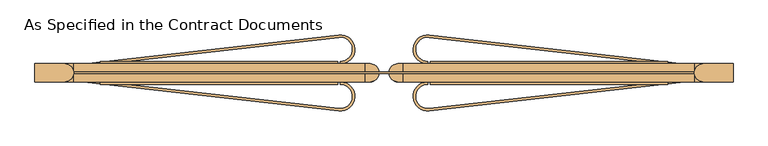
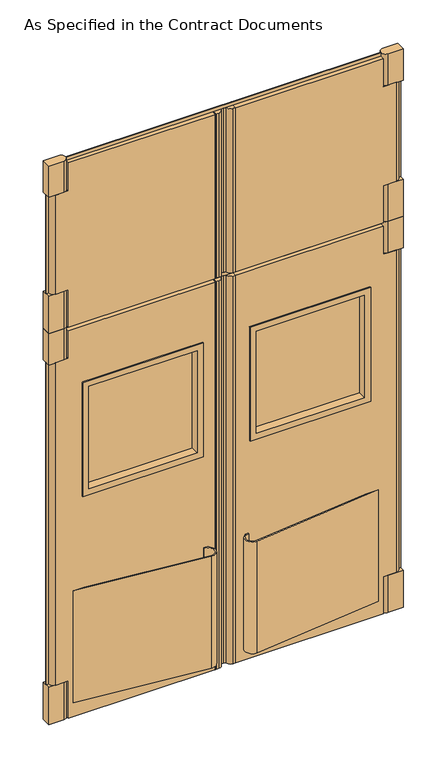
"""IFC4 building model written with IfcOpenShell, lengths in millimetres: door geometry, As Specified in the Contract Documents."""

from ifc_helpers import new_model, si_unit, point, frame, frame_2d, origin, origin_with_axes, place, context, project, spatial, polyline, circle_curve, trimmed, segment, composite_curve, outline, extrude, faceted_brep, source, transform, mapped, element, save
from ifc_brep_helpers import plane_surface, cylinder_surface, advanced_brep


def as_specified_in_the_contract_documents_781a4f40(model_context):
    return source(origin(), model_context, "Body", "SolidModel", [
        advanced_brep(
        [(-790.575, 6.35, 3028.95), (-28.575, 6.35, 3028.95), (-28.575, 6.35, 2133.6), (-790.575, 6.35, 2133.6), (-790.575, 6.35, 2336.8), (-855.6625, 6.35, 2336.8), (-855.6625, 6.35, 2876.55), (-790.575, 6.35, 2876.55), (-790.575, -41.275, 3028.95), (-790.575, -41.275, 2876.55), (-855.6625, -41.275, 2876.55), (-855.6625, -41.275, 2336.8), (-790.575, -41.275, 2336.8), (-790.575, -41.275, 2133.6), (-28.575, -41.275, 2133.6), (-28.575, -41.275, 3028.95)],
        [
            (0, 1),
            (1, 2),
            (2, 3),
            (3, 4),
            (4, 5),
            (5, 6),
            (6, 7),
            (7, 0),
            (8, 9),
            (9, 10),
            (10, 11),
            (11, 12),
            (12, 13),
            (13, 14),
            (14, 15),
            (15, 8),
            (7, 9),
            (8, 0),
            (6, 10, circle_curve(frame((-855.6625, -17.4625, 2876.55), z_axis=(0.0, 0.0, 1.0), x_axis=(-1.0, 0.0, 0.0)), 23.8125)),
            (4, 12),
            (11, 5, circle_curve(frame((-855.6625, -17.4625, 2336.8), z_axis=(0.0, 0.0, -1.0), x_axis=(-1.0, 0.0, 0.0)), 23.8125)),
            (3, 13),
            (2, 14),
            (1, 15),
        ],
        [
            plane_surface(frame((-790.575, 6.35, 3028.95), z_axis=(0.0, 1.0, 0.0), x_axis=(0.0, 0.0, -1.0))),
            plane_surface(frame((-790.575, -41.275, 3028.95), z_axis=(0.0, -1.0, 0.0), x_axis=(0.0, 0.0, 1.0))),
            plane_surface(frame((-790.575, 6.35, 3028.95), z_axis=(-1.0, 0.0, 0.0), x_axis=(0.0, -1.0, 0.0))),
            plane_surface(frame((-790.575, 6.35, 2876.55), z_axis=(0.0, 0.0, 1.0), x_axis=(0.0, -1.0, 0.0))),
            plane_surface(frame((-842.9625, 6.35, 2336.8), z_axis=(0.0, 0.0, -1.0), x_axis=(0.0, -1.0, 0.0))),
            plane_surface(frame((-790.575, 6.35, 2336.8), z_axis=(-1.0, 0.0, 0.0), x_axis=(0.0, -1.0, 0.0))),
            plane_surface(frame((-790.575, 6.35, 2133.6), z_axis=(0.0, 0.0, -1.0), x_axis=(0.0, -1.0, 0.0))),
            plane_surface(frame((-28.575, 6.35, 2133.6), z_axis=(1.0, 0.0, 0.0), x_axis=(0.0, -1.0, 0.0))),
            plane_surface(frame((-28.575, 6.35, 3028.95), z_axis=(0.0, 0.0, 1.0), x_axis=(0.0, -1.0, 0.0))),
            cylinder_surface(frame((-855.6625, -17.4625, 2336.8), z_axis=(0.0, 0.0, 1.0), x_axis=(-1.0, 0.0, 0.0)), 23.8125),
        ],
        [
            (0, [[1, 2, 3, 4, 5, 6, 7, 8]]),
            (1, [[9, 10, 11, 12, 13, 14, 15, 16]]),
            (2, [[17, -9, 18, -8]]),
            (3, [[19, -10, -17, -7]]),
            (4, [[20, -12, 21, -5]]),
            (5, [[22, -13, -20, -4]]),
            (6, [[23, -14, -22, -3]]),
            (7, [[24, -15, -23, -2]]),
            (8, [[-18, -16, -24, -1]]),
            (9, [[-6, -21, -11, -19]]),
        ],
    ),
        extrude(outline(composite_curve([segment(trimmed(circle_curve(frame_2d((-14.2875, -17.4625)), 23.8125), [point((-14.2875, 6.35))], [point((9.4720244, -15.875))], False, "CARTESIAN"), True, "CONTINUOUS"), segment(polyline([(9.4720244, -15.875), (22.225, -15.875), (22.225, -19.05), (9.4720244, -19.05)]), True, "CONTINUOUS"), segment(trimmed(circle_curve(frame_2d((-14.2875, -17.4625)), 23.8125), [point((9.4720244, -19.05))], [point((-14.2875, -41.275))], False, "CARTESIAN"), True, "CONTINUOUS"), segment(polyline([(-14.2875, -41.275), (-33.3375, -41.275), (-33.3375, 6.35), (-14.2875, 6.35)]), True, "CONTINUOUS")], self_intersect=False)), frame((0.0, 0.0, 2133.6), z_axis=(0.0, 0.0, 1.0), x_axis=(1.0, 0.0, 0.0)), (0.0, 0.0, 1.0), 895.35),
        extrude(outline(composite_curve([segment(polyline([(-814.3875, -41.275), (-892.175, -41.275), (-892.175, 6.35), (-814.3875, 6.35)]), True, "CONTINUOUS"), segment(trimmed(circle_curve(frame_2d((-814.3875, -17.4625)), 23.8125), [point((-814.3875, 6.35))], [point((-814.3875, -41.275))], False, "CARTESIAN"), True, "CONTINUOUS")], self_intersect=False)), frame((0.0, 0.0, 2876.55), z_axis=(0.0, 0.0, 1.0), x_axis=(1.0, 0.0, 0.0)), (0.0, 0.0, 1.0), 171.45),
        extrude(outline(composite_curve([segment(polyline([(-814.3875, -41.275), (-892.175, -41.275), (-892.175, 6.35), (-814.3875, 6.35)]), True, "CONTINUOUS"), segment(trimmed(circle_curve(frame_2d((-814.3875, -17.4625)), 23.8125), [point((-814.3875, 6.35))], [point((-814.3875, -41.275))], False, "CARTESIAN"), True, "CONTINUOUS")], self_intersect=False)), frame((0.0, 0.0, 2133.6), z_axis=(0.0, 0.0, 1.0), x_axis=(1.0, 0.0, 0.0)), (0.0, 0.0, 1.0), 203.2),
        extrude(outline(polyline([(-879.475, -15.875), (-879.475, -19.05), (-892.175, -19.05), (-892.175, -15.875), (-879.475, -15.875)])), frame((0.0, 0.0, 2336.8), z_axis=(0.0, 0.0, 1.0), x_axis=(1.0, 0.0, 0.0)), (0.0, 0.0, 1.0), 539.75),
        advanced_brep(
        [(835.025, 6.35, 3028.95), (835.025, 6.35, 2876.55), (900.1125, 6.35, 2876.55), (900.1125, 6.35, 2336.8), (835.025, 6.35, 2336.8), (835.025, 6.35, 2133.6), (73.025, 6.35, 2133.6), (73.025, 6.35, 3028.95), (835.025, -41.275, 3028.95), (73.025, -41.275, 3028.95), (73.025, -41.275, 2133.6), (835.025, -41.275, 2133.6), (835.025, -41.275, 2336.8), (900.1125, -41.275, 2336.8), (900.1125, -41.275, 2876.55), (835.025, -41.275, 2876.55)],
        [
            (0, 1),
            (1, 2),
            (2, 3),
            (3, 4),
            (4, 5),
            (5, 6),
            (6, 7),
            (7, 0),
            (8, 9),
            (9, 10),
            (10, 11),
            (11, 12),
            (12, 13),
            (13, 14),
            (14, 15),
            (15, 8),
            (0, 8),
            (15, 1),
            (14, 2, circle_curve(frame((900.1125, -17.4625, 2876.55), z_axis=(0.0, 0.0, 1.0), x_axis=(1.0, 0.0, 0.0)), 23.8125)),
            (3, 13, circle_curve(frame((900.1125, -17.4625, 2336.8), z_axis=(0.0, 0.0, -1.0), x_axis=(1.0, 0.0, 0.0)), 23.8125)),
            (12, 4),
            (11, 5),
            (10, 6),
            (9, 7),
        ],
        [
            plane_surface(frame((835.025, 6.35, 3028.95), z_axis=(0.0, 1.0, 0.0), x_axis=(0.0, 0.0, -1.0))),
            plane_surface(frame((835.025, -41.275, 3028.95), z_axis=(0.0, -1.0, 0.0), x_axis=(0.0, 0.0, 1.0))),
            plane_surface(frame((835.025, 6.35, 3028.95), z_axis=(1.0, 0.0, 0.0), x_axis=(0.0, -1.0, 0.0))),
            plane_surface(frame((835.025, 6.35, 2876.55), z_axis=(0.0, 0.0, 1.0), x_axis=(0.0, -1.0, 0.0))),
            plane_surface(frame((887.4125, 6.35, 2336.8), z_axis=(0.0, 0.0, -1.0), x_axis=(0.0, -1.0, 0.0))),
            plane_surface(frame((835.025, 6.35, 2336.8), z_axis=(1.0, 0.0, 0.0), x_axis=(0.0, -1.0, 0.0))),
            plane_surface(frame((835.025, 6.35, 2133.6), z_axis=(0.0, 0.0, -1.0), x_axis=(0.0, -1.0, 0.0))),
            plane_surface(frame((73.025, 6.35, 2133.6), z_axis=(-1.0, 0.0, 0.0), x_axis=(0.0, -1.0, 0.0))),
            plane_surface(frame((73.025, 6.35, 3028.95), z_axis=(0.0, 0.0, 1.0), x_axis=(0.0, -1.0, 0.0))),
            cylinder_surface(frame((900.1125, -17.4625, 2336.8), z_axis=(0.0, 0.0, 1.0), x_axis=(1.0, 0.0, 0.0)), 23.8125),
        ],
        [
            (0, [[1, 2, 3, 4, 5, 6, 7, 8]]),
            (1, [[9, 10, 11, 12, 13, 14, 15, 16]]),
            (2, [[-1, 17, -16, 18]]),
            (3, [[-2, -18, -15, 19]]),
            (4, [[-4, 20, -13, 21]]),
            (5, [[-5, -21, -12, 22]]),
            (6, [[-6, -22, -11, 23]]),
            (7, [[-7, -23, -10, 24]]),
            (8, [[-8, -24, -9, -17]]),
            (9, [[-19, -14, -20, -3]]),
        ],
    ),
        extrude(outline(composite_curve([segment(polyline([(58.7375, 6.35), (77.7875, 6.35), (77.7875, -41.275), (58.7375, -41.275)]), True, "CONTINUOUS"), segment(trimmed(circle_curve(frame_2d((58.7375, -17.4625)), 23.8125), [point((58.7375, -41.275))], [point((34.9779756, -19.05))], False, "CARTESIAN"), True, "CONTINUOUS"), segment(polyline([(34.9779756, -19.05), (22.225, -19.05), (22.225, -15.875), (34.9779756, -15.875)]), True, "CONTINUOUS"), segment(trimmed(circle_curve(frame_2d((58.7375, -17.4625)), 23.8125), [point((34.9779756, -15.875))], [point((58.7375, 6.35))], False, "CARTESIAN"), True, "CONTINUOUS")], self_intersect=False)), frame((0.0, 0.0, 2133.6), z_axis=(0.0, 0.0, 1.0), x_axis=(1.0, 0.0, 0.0)), (0.0, 0.0, 1.0), 895.35),
        extrude(outline(composite_curve([segment(trimmed(circle_curve(frame_2d((858.8375, -17.4625)), 23.8125), [point((858.8375, -41.275))], [point((858.8375, 6.35))], False, "CARTESIAN"), True, "CONTINUOUS"), segment(polyline([(858.8375, 6.35), (936.625, 6.35), (936.625, -41.275), (858.8375, -41.275)]), True, "CONTINUOUS")], self_intersect=False)), frame((0.0, 0.0, 2876.55), z_axis=(0.0, 0.0, 1.0), x_axis=(1.0, 0.0, 0.0)), (0.0, 0.0, 1.0), 171.45),
        extrude(outline(composite_curve([segment(trimmed(circle_curve(frame_2d((858.8375, -17.4625)), 23.8125), [point((858.8375, -41.275))], [point((858.8375, 6.35))], False, "CARTESIAN"), True, "CONTINUOUS"), segment(polyline([(858.8375, 6.35), (936.625, 6.35), (936.625, -41.275), (858.8375, -41.275)]), True, "CONTINUOUS")], self_intersect=False)), frame((0.0, 0.0, 2133.6), z_axis=(0.0, 0.0, 1.0), x_axis=(1.0, 0.0, 0.0)), (0.0, 0.0, 1.0), 203.2),
        extrude(outline(polyline([(923.925, -15.875), (936.625, -15.875), (936.625, -19.05), (923.925, -19.05), (923.925, -15.875)])), frame((0.0, 0.0, 2336.8), z_axis=(0.0, 0.0, 1.0), x_axis=(1.0, 0.0, 0.0)), (0.0, 0.0, 1.0), 539.75),
        extrude(outline(composite_curve([segment(polyline([(-96.3744322, -117.2316359), (-765.175, -41.275), (-708.9036164, -41.275), (-95.6578602, -110.9221966)]), True, "CONTINUOUS"), segment(trimmed(circle_curve(frame_2d((-92.075, -79.375)), 31.75), [point((-95.6578602, -110.9221966))], [point((-92.075, -47.625))], True, "CARTESIAN"), True, "CONTINUOUS"), segment(polyline([(-92.075, -47.625), (-92.075, -41.275)]), True, "CONTINUOUS"), segment(trimmed(circle_curve(frame_2d((-92.075, -79.375)), 38.1), [point((-92.075, -41.275))], [point((-96.3744322, -117.2316359))], False, "CARTESIAN"), True, "CONTINUOUS")], self_intersect=False)), frame((0.0, 0.0, 76.2), z_axis=(0.0, 0.0, 1.0), x_axis=(1.0, 0.0, 0.0)), (0.0, 0.0, 1.0), 609.6),
        extrude(outline(composite_curve([segment(trimmed(circle_curve(frame_2d((-92.075, 44.45)), 38.1), [point((-96.3744322, 82.3066359))], [point((-92.075, 6.35))], False, "CARTESIAN"), True, "CONTINUOUS"), segment(polyline([(-92.075, 6.35), (-92.075, 12.7)]), True, "CONTINUOUS"), segment(trimmed(circle_curve(frame_2d((-92.075, 44.45)), 31.75), [point((-92.075, 12.7))], [point((-95.6578602, 75.9971966))], True, "CARTESIAN"), True, "CONTINUOUS"), segment(polyline([(-95.6578602, 75.9971966), (-708.9036164, 6.35), (-765.175, 6.35), (-96.3744322, 82.3066359)]), True, "CONTINUOUS")], self_intersect=False)), frame((0.0, 0.0, 76.2), z_axis=(0.0, 0.0, 1.0), x_axis=(1.0, 0.0, 0.0)), (0.0, 0.0, 1.0), 609.6),
        advanced_brep(
        [(-790.575, 6.35, 2114.55), (-28.575, 6.35, 2114.55), (-28.575, 6.35, 0.0), (-790.575, 6.35, 0.0), (-790.575, 6.35, 203.2), (-855.6625, 6.35, 203.2), (-855.6625, 6.35, 1962.15), (-790.575, 6.35, 1962.15), (-695.325, 6.35, 1784.35), (-695.325, 6.35, 1212.85), (-123.825, 6.35, 1212.85), (-123.825, 6.35, 1784.35), (-790.575, -41.275, 2114.55), (-790.575, -41.275, 1962.15), (-855.6625, -41.275, 1962.15), (-855.6625, -41.275, 203.2), (-790.575, -41.275, 203.2), (-790.575, -41.275, 0.0), (-28.575, -41.275, 0.0), (-28.575, -41.275, 2114.55), (-695.325, -41.275, 1784.35), (-123.825, -41.275, 1784.35), (-123.825, -41.275, 1212.85), (-695.325, -41.275, 1212.85)],
        [
            (0, 1),
            (1, 2),
            (2, 3),
            (3, 4),
            (4, 5),
            (5, 6),
            (6, 7),
            (7, 0),
            (8, 9),
            (9, 10),
            (10, 11),
            (11, 8),
            (12, 13),
            (13, 14),
            (14, 15),
            (15, 16),
            (16, 17),
            (17, 18),
            (18, 19),
            (19, 12),
            (20, 21),
            (21, 22),
            (22, 23),
            (23, 20),
            (7, 13),
            (12, 0),
            (6, 14, circle_curve(frame((-855.6625, -17.4625, 1962.15), z_axis=(0.0, 0.0, 1.0), x_axis=(-1.0, 0.0, 0.0)), 23.8125)),
            (4, 16),
            (15, 5, circle_curve(frame((-855.6625, -17.4625, 203.2), z_axis=(0.0, 0.0, -1.0), x_axis=(-1.0, 0.0, 0.0)), 23.8125)),
            (3, 17),
            (2, 18),
            (1, 19),
            (11, 21),
            (20, 8),
            (10, 22),
            (9, 23),
        ],
        [
            plane_surface(frame((-790.575, 6.35, 2114.55), z_axis=(0.0, 1.0, 0.0), x_axis=(0.0, 0.0, -1.0))),
            plane_surface(frame((-790.575, -41.275, 2114.55), z_axis=(0.0, -1.0, 0.0), x_axis=(0.0, 0.0, 1.0))),
            plane_surface(frame((-790.575, 6.35, 2114.55), z_axis=(-1.0, 0.0, 0.0), x_axis=(0.0, -1.0, 0.0))),
            plane_surface(frame((-790.575, 6.35, 1962.15), z_axis=(0.0, 0.0, 1.0), x_axis=(0.0, -1.0, 0.0))),
            plane_surface(frame((-842.9625, 6.35, 203.2), z_axis=(0.0, 0.0, -1.0), x_axis=(0.0, -1.0, 0.0))),
            plane_surface(frame((-790.575, 6.35, 203.2), z_axis=(-1.0, 0.0, 0.0), x_axis=(0.0, -1.0, 0.0))),
            plane_surface(frame((-790.575, 6.35, 0.0), z_axis=(0.0, 0.0, -1.0), x_axis=(0.0, -1.0, 0.0))),
            plane_surface(frame((-28.575, 6.35, 0.0), z_axis=(1.0, 0.0, 0.0), x_axis=(0.0, -1.0, 0.0))),
            plane_surface(frame((-28.575, 6.35, 2114.55), z_axis=(0.0, 0.0, 1.0), x_axis=(0.0, -1.0, 0.0))),
            plane_surface(frame((-695.325, 6.35, 1784.35), z_axis=(0.0, 0.0, -1.0), x_axis=(0.0, -1.0, 0.0))),
            plane_surface(frame((-123.825, 6.35, 1784.35), z_axis=(-1.0, 0.0, 0.0), x_axis=(0.0, -1.0, 0.0))),
            plane_surface(frame((-123.825, 6.35, 1212.85), z_axis=(0.0, 0.0, 1.0), x_axis=(0.0, -1.0, 0.0))),
            plane_surface(frame((-695.325, 6.35, 1212.85), z_axis=(1.0, 0.0, 0.0), x_axis=(0.0, -1.0, 0.0))),
            cylinder_surface(frame((-855.6625, -17.4625, 203.2), z_axis=(0.0, 0.0, 1.0), x_axis=(-1.0, 0.0, 0.0)), 23.8125),
        ],
        [
            (0, [[1, 2, 3, 4, 5, 6, 7, 8], [9, 10, 11, 12]]),
            (1, [[13, 14, 15, 16, 17, 18, 19, 20], [21, 22, 23, 24]]),
            (2, [[25, -13, 26, -8]]),
            (3, [[27, -14, -25, -7]]),
            (4, [[28, -16, 29, -5]]),
            (5, [[30, -17, -28, -4]]),
            (6, [[31, -18, -30, -3]]),
            (7, [[32, -19, -31, -2]]),
            (8, [[-26, -20, -32, -1]]),
            (9, [[33, -21, 34, -12]]),
            (10, [[35, -22, -33, -11]]),
            (11, [[36, -23, -35, -10]]),
            (12, [[-34, -24, -36, -9]]),
            (13, [[-6, -29, -15, -27]]),
        ],
    ),
        extrude(outline(composite_curve([segment(trimmed(circle_curve(frame_2d((-14.2875, -17.4625)), 23.8125), [point((-14.2875, 6.35))], [point((9.4720244, -15.875))], False, "CARTESIAN"), True, "CONTINUOUS"), segment(polyline([(9.4720244, -15.875), (22.225, -15.875), (22.225, -19.05), (9.4720244, -19.05)]), True, "CONTINUOUS"), segment(trimmed(circle_curve(frame_2d((-14.2875, -17.4625)), 23.8125), [point((9.4720244, -19.05))], [point((-14.2875, -41.275))], False, "CARTESIAN"), True, "CONTINUOUS"), segment(polyline([(-14.2875, -41.275), (-33.3375, -41.275), (-33.3375, 6.35), (-14.2875, 6.35)]), True, "CONTINUOUS")], self_intersect=False)), origin_with_axes(), (0.0, 0.0, 1.0), 2114.55),
        extrude(outline(composite_curve([segment(polyline([(-814.3875, -41.275), (-892.175, -41.275), (-892.175, 6.35), (-814.3875, 6.35)]), True, "CONTINUOUS"), segment(trimmed(circle_curve(frame_2d((-814.3875, -17.4625)), 23.8125), [point((-814.3875, 6.35))], [point((-814.3875, -41.275))], False, "CARTESIAN"), True, "CONTINUOUS")], self_intersect=False)), frame((0.0, 0.0, 1962.15), z_axis=(0.0, 0.0, 1.0), x_axis=(1.0, 0.0, 0.0)), (0.0, 0.0, 1.0), 171.45),
        extrude(outline(composite_curve([segment(polyline([(-814.3875, -41.275), (-892.175, -41.275), (-892.175, 6.35), (-814.3875, 6.35)]), True, "CONTINUOUS"), segment(trimmed(circle_curve(frame_2d((-814.3875, -17.4625)), 23.8125), [point((-814.3875, 6.35))], [point((-814.3875, -41.275))], False, "CARTESIAN"), True, "CONTINUOUS")], self_intersect=False)), origin_with_axes(), (0.0, 0.0, 1.0), 203.2),
        extrude(outline(polyline([(-879.475, -15.875), (-879.475, -19.05), (-892.175, -19.05), (-892.175, -15.875), (-879.475, -15.875)])), frame((0.0, 0.0, 203.2), z_axis=(0.0, 0.0, 1.0), x_axis=(1.0, 0.0, 0.0)), (0.0, 0.0, 1.0), 1758.95),
        extrude(outline(polyline([(-688.975, -3.175), (-688.975, 0.0), (-130.175, 0.0), (-130.175, -3.175), (-688.975, -3.175)])), frame((0.0, 0.0, 1219.2), z_axis=(0.0, 0.0, 1.0), x_axis=(1.0, 0.0, 0.0)), (0.0, 0.0, 1.0), 558.8),
        faceted_brep([(-130.175, -47.625, 1778.0), (-688.975, -47.625, 1778.0), (-688.975, 12.7, 1778.0), (-130.175, 12.7, 1778.0), (-98.425, -41.275, 1809.75), (-720.725, -41.275, 1809.75), (-720.725, -47.625, 1809.75), (-98.425, -47.625, 1809.75), (-123.825, 6.35, 1784.35), (-695.325, 6.35, 1784.35), (-695.325, -41.275, 1784.35), (-123.825, -41.275, 1784.35), (-98.425, 12.7, 1809.75), (-720.725, 12.7, 1809.75), (-720.725, 6.35, 1809.75), (-98.425, 6.35, 1809.75), (-688.975, -47.625, 1219.2), (-688.975, 12.7, 1219.2), (-720.725, -41.275, 1187.45), (-720.725, -47.625, 1187.45), (-695.325, 6.35, 1212.85), (-695.325, -41.275, 1212.85), (-720.725, 12.7, 1187.45), (-720.725, 6.35, 1187.45), (-130.175, -47.625, 1219.2), (-130.175, 12.7, 1219.2), (-98.425, -41.275, 1187.45), (-98.425, -47.625, 1187.45), (-123.825, 6.35, 1212.85), (-123.825, -41.275, 1212.85), (-98.425, 12.7, 1187.45), (-98.425, 6.35, 1187.45)], [[[0, 1, 2, 3]], [[4, 5, 6, 7]], [[8, 9, 10, 11]], [[12, 13, 14, 15]], [[1, 16, 17, 2]], [[5, 18, 19, 6]], [[9, 20, 21, 10]], [[13, 22, 23, 14]], [[16, 24, 25, 17]], [[18, 26, 27, 19]], [[20, 28, 29, 21]], [[22, 30, 31, 23]], [[24, 0, 3, 25]], [[7, 6, 19, 27], [1, 0, 24, 16]], [[26, 4, 7, 27]], [[5, 4, 26, 18], [11, 10, 21, 29]], [[28, 8, 11, 29]], [[15, 14, 23, 31], [9, 8, 28, 20]], [[30, 12, 15, 31]], [[13, 12, 30, 22], [3, 2, 17, 25]]]),
        extrude(outline(composite_curve([segment(trimmed(circle_curve(frame_2d((136.525, -79.375)), 38.1), [point((140.8244322, -117.2316359))], [point((136.525, -41.275))], False, "CARTESIAN"), True, "CONTINUOUS"), segment(polyline([(136.525, -41.275), (136.525, -47.625)]), True, "CONTINUOUS"), segment(trimmed(circle_curve(frame_2d((136.525, -79.375)), 31.75), [point((136.525, -47.625))], [point((140.1078602, -110.9221966))], True, "CARTESIAN"), True, "CONTINUOUS"), segment(polyline([(140.1078602, -110.9221966), (753.3536164, -41.275), (809.625, -41.275), (140.8244322, -117.2316359)]), True, "CONTINUOUS")], self_intersect=False)), frame((0.0, 0.0, 76.2), z_axis=(0.0, 0.0, 1.0), x_axis=(1.0, 0.0, 0.0)), (0.0, 0.0, 1.0), 609.6),
        extrude(outline(composite_curve([segment(polyline([(140.8244322, 82.3066359), (809.625, 6.35), (753.3536164, 6.35), (140.1078602, 75.9971966)]), True, "CONTINUOUS"), segment(trimmed(circle_curve(frame_2d((136.525, 44.45)), 31.75), [point((140.1078602, 75.9971966))], [point((136.525, 12.7))], True, "CARTESIAN"), True, "CONTINUOUS"), segment(polyline([(136.525, 12.7), (136.525, 6.35)]), True, "CONTINUOUS"), segment(trimmed(circle_curve(frame_2d((136.525, 44.45)), 38.1), [point((136.525, 6.35))], [point((140.8244322, 82.3066359))], False, "CARTESIAN"), True, "CONTINUOUS")], self_intersect=False)), frame((0.0, 0.0, 76.2), z_axis=(0.0, 0.0, 1.0), x_axis=(1.0, 0.0, 0.0)), (0.0, 0.0, 1.0), 609.6),
        advanced_brep(
        [(835.025, 6.35, 2114.55), (835.025, 6.35, 1962.15), (900.1125, 6.35, 1962.15), (900.1125, 6.35, 203.2), (835.025, 6.35, 203.2), (835.025, 6.35, 0.0), (73.025, 6.35, 0.0), (73.025, 6.35, 2114.55), (739.775, 6.35, 1784.35), (168.275, 6.35, 1784.35), (168.275, 6.35, 1212.85), (739.775, 6.35, 1212.85), (835.025, -41.275, 2114.55), (73.025, -41.275, 2114.55), (73.025, -41.275, 0.0), (835.025, -41.275, 0.0), (835.025, -41.275, 203.2), (900.1125, -41.275, 203.2), (900.1125, -41.275, 1962.15), (835.025, -41.275, 1962.15), (739.775, -41.275, 1784.35), (739.775, -41.275, 1212.85), (168.275, -41.275, 1212.85), (168.275, -41.275, 1784.35)],
        [
            (0, 1),
            (1, 2),
            (2, 3),
            (3, 4),
            (4, 5),
            (5, 6),
            (6, 7),
            (7, 0),
            (8, 9),
            (9, 10),
            (10, 11),
            (11, 8),
            (12, 13),
            (13, 14),
            (14, 15),
            (15, 16),
            (16, 17),
            (17, 18),
            (18, 19),
            (19, 12),
            (20, 21),
            (21, 22),
            (22, 23),
            (23, 20),
            (0, 12),
            (19, 1),
            (18, 2, circle_curve(frame((900.1125, -17.4625, 1962.15), z_axis=(0.0, 0.0, 1.0), x_axis=(1.0, 0.0, 0.0)), 23.8125)),
            (3, 17, circle_curve(frame((900.1125, -17.4625, 203.2), z_axis=(0.0, 0.0, -1.0), x_axis=(1.0, 0.0, 0.0)), 23.8125)),
            (16, 4),
            (15, 5),
            (14, 6),
            (13, 7),
            (8, 20),
            (23, 9),
            (22, 10),
            (21, 11),
        ],
        [
            plane_surface(frame((835.025, 6.35, 2114.55), z_axis=(0.0, 1.0, 0.0), x_axis=(0.0, 0.0, -1.0))),
            plane_surface(frame((835.025, -41.275, 2114.55), z_axis=(0.0, -1.0, 0.0), x_axis=(0.0, 0.0, 1.0))),
            plane_surface(frame((835.025, 6.35, 2114.55), z_axis=(1.0, 0.0, 0.0), x_axis=(0.0, -1.0, 0.0))),
            plane_surface(frame((835.025, 6.35, 1962.15), z_axis=(0.0, 0.0, 1.0), x_axis=(0.0, -1.0, 0.0))),
            plane_surface(frame((887.4125, 6.35, 203.2), z_axis=(0.0, 0.0, -1.0), x_axis=(0.0, -1.0, 0.0))),
            plane_surface(frame((835.025, 6.35, 203.2), z_axis=(1.0, 0.0, 0.0), x_axis=(0.0, -1.0, 0.0))),
            plane_surface(frame((835.025, 6.35, 0.0), z_axis=(0.0, 0.0, -1.0), x_axis=(0.0, -1.0, 0.0))),
            plane_surface(frame((73.025, 6.35, 0.0), z_axis=(-1.0, 0.0, 0.0), x_axis=(0.0, -1.0, 0.0))),
            plane_surface(frame((73.025, 6.35, 2114.55), z_axis=(0.0, 0.0, 1.0), x_axis=(0.0, -1.0, 0.0))),
            plane_surface(frame((739.775, 6.35, 1784.35), z_axis=(0.0, 0.0, -1.0), x_axis=(0.0, -1.0, 0.0))),
            plane_surface(frame((168.275, 6.35, 1784.35), z_axis=(1.0, 0.0, 0.0), x_axis=(0.0, -1.0, 0.0))),
            plane_surface(frame((168.275, 6.35, 1212.85), z_axis=(0.0, 0.0, 1.0), x_axis=(0.0, -1.0, 0.0))),
            plane_surface(frame((739.775, 6.35, 1212.85), z_axis=(-1.0, 0.0, 0.0), x_axis=(0.0, -1.0, 0.0))),
            cylinder_surface(frame((900.1125, -17.4625, 203.2), z_axis=(0.0, 0.0, 1.0), x_axis=(1.0, 0.0, 0.0)), 23.8125),
        ],
        [
            (0, [[1, 2, 3, 4, 5, 6, 7, 8], [9, 10, 11, 12]]),
            (1, [[13, 14, 15, 16, 17, 18, 19, 20], [21, 22, 23, 24]]),
            (2, [[-1, 25, -20, 26]]),
            (3, [[-2, -26, -19, 27]]),
            (4, [[-4, 28, -17, 29]]),
            (5, [[-5, -29, -16, 30]]),
            (6, [[-6, -30, -15, 31]]),
            (7, [[-7, -31, -14, 32]]),
            (8, [[-8, -32, -13, -25]]),
            (9, [[-9, 33, -24, 34]]),
            (10, [[-10, -34, -23, 35]]),
            (11, [[-11, -35, -22, 36]]),
            (12, [[-12, -36, -21, -33]]),
            (13, [[-27, -18, -28, -3]]),
        ],
    ),
        extrude(outline(composite_curve([segment(polyline([(58.7375, 6.35), (77.7875, 6.35), (77.7875, -41.275), (58.7375, -41.275)]), True, "CONTINUOUS"), segment(trimmed(circle_curve(frame_2d((58.7375, -17.4625)), 23.8125), [point((58.7375, -41.275))], [point((34.9779756, -19.05))], False, "CARTESIAN"), True, "CONTINUOUS"), segment(polyline([(34.9779756, -19.05), (22.225, -19.05), (22.225, -15.875), (34.9779756, -15.875)]), True, "CONTINUOUS"), segment(trimmed(circle_curve(frame_2d((58.7375, -17.4625)), 23.8125), [point((34.9779756, -15.875))], [point((58.7375, 6.35))], False, "CARTESIAN"), True, "CONTINUOUS")], self_intersect=False)), origin_with_axes(), (0.0, 0.0, 1.0), 2114.55),
        extrude(outline(composite_curve([segment(trimmed(circle_curve(frame_2d((858.8375, -17.4625)), 23.8125), [point((858.8375, -41.275))], [point((858.8375, 6.35))], False, "CARTESIAN"), True, "CONTINUOUS"), segment(polyline([(858.8375, 6.35), (936.625, 6.35), (936.625, -41.275), (858.8375, -41.275)]), True, "CONTINUOUS")], self_intersect=False)), frame((0.0, 0.0, 1962.15), z_axis=(0.0, 0.0, 1.0), x_axis=(1.0, 0.0, 0.0)), (0.0, 0.0, 1.0), 171.45),
        extrude(outline(composite_curve([segment(trimmed(circle_curve(frame_2d((858.8375, -17.4625)), 23.8125), [point((858.8375, -41.275))], [point((858.8375, 6.35))], False, "CARTESIAN"), True, "CONTINUOUS"), segment(polyline([(858.8375, 6.35), (936.625, 6.35), (936.625, -41.275), (858.8375, -41.275)]), True, "CONTINUOUS")], self_intersect=False)), origin_with_axes(), (0.0, 0.0, 1.0), 203.2),
        extrude(outline(polyline([(923.925, -15.875), (936.625, -15.875), (936.625, -19.05), (923.925, -19.05), (923.925, -15.875)])), frame((0.0, 0.0, 203.2), z_axis=(0.0, 0.0, 1.0), x_axis=(1.0, 0.0, 0.0)), (0.0, 0.0, 1.0), 1758.95),
        extrude(outline(polyline([(733.425, -3.175), (174.625, -3.175), (174.625, 0.0), (733.425, 0.0), (733.425, -3.175)])), frame((0.0, 0.0, 1219.2), z_axis=(0.0, 0.0, 1.0), x_axis=(1.0, 0.0, 0.0)), (0.0, 0.0, 1.0), 558.8),
        faceted_brep([(174.625, -47.625, 1778.0), (174.625, 12.7, 1778.0), (733.425, 12.7, 1778.0), (733.425, -47.625, 1778.0), (142.875, -41.275, 1809.75), (142.875, -47.625, 1809.75), (765.175, -47.625, 1809.75), (765.175, -41.275, 1809.75), (168.275, 6.35, 1784.35), (168.275, -41.275, 1784.35), (739.775, -41.275, 1784.35), (739.775, 6.35, 1784.35), (142.875, 12.7, 1809.75), (142.875, 6.35, 1809.75), (765.175, 6.35, 1809.75), (765.175, 12.7, 1809.75), (733.425, 12.7, 1219.2), (733.425, -47.625, 1219.2), (765.175, -47.625, 1187.45), (765.175, -41.275, 1187.45), (739.775, -41.275, 1212.85), (739.775, 6.35, 1212.85), (765.175, 6.35, 1187.45), (765.175, 12.7, 1187.45), (174.625, 12.7, 1219.2), (174.625, -47.625, 1219.2), (142.875, -47.625, 1187.45), (142.875, -41.275, 1187.45), (168.275, -41.275, 1212.85), (168.275, 6.35, 1212.85), (142.875, 6.35, 1187.45), (142.875, 12.7, 1187.45)], [[[0, 1, 2, 3]], [[4, 5, 6, 7]], [[8, 9, 10, 11]], [[12, 13, 14, 15]], [[3, 2, 16, 17]], [[7, 6, 18, 19]], [[11, 10, 20, 21]], [[15, 14, 22, 23]], [[17, 16, 24, 25]], [[19, 18, 26, 27]], [[21, 20, 28, 29]], [[23, 22, 30, 31]], [[25, 24, 1, 0]], [[5, 26, 18, 6], [3, 17, 25, 0]], [[27, 26, 5, 4]], [[7, 19, 27, 4], [9, 28, 20, 10]], [[29, 28, 9, 8]], [[13, 30, 22, 14], [11, 21, 29, 8]], [[31, 30, 13, 12]], [[15, 23, 31, 12], [1, 24, 16, 2]]]),
        extrude(outline(polyline([(835.025, -15.875), (835.025, -19.05), (-790.575, -19.05), (-790.575, -15.875), (835.025, -15.875)])), frame((0.0, 0.0, 3028.95), z_axis=(0.0, 0.0, 1.0), x_axis=(1.0, 0.0, 0.0)), (0.0, 0.0, 1.0), 19.05),
        extrude(outline(polyline([(835.025, -15.875), (835.025, -19.05), (-790.575, -19.05), (-790.575, -15.875), (835.025, -15.875)])), frame((0.0, 0.0, 2114.55), z_axis=(0.0, 0.0, 1.0), x_axis=(1.0, 0.0, 0.0)), (0.0, 0.0, 1.0), 19.05),
    ])


if __name__ == "__main__":
    model = new_model("IFC4")
    model_context = context("Model", 3, world=origin())
    ifc_project = project(units=[si_unit("LENGTHUNIT", "METRE", prefix="MILLI")], contexts=[model_context])
    site = spatial("IfcSite", under=ifc_project)
    building = spatial("IfcBuilding", under=site)
    placement = place(None, origin())
    as_specified_in_the_contract_documents_shape = as_specified_in_the_contract_documents_781a4f40(model_context)
    element("IfcDoor", 1, ObjectType="As Specified in the Contract Documents", at=placement, inside=building, context=model_context, shape_type="MappedRepresentation", body=[
        mapped(as_specified_in_the_contract_documents_shape, transform((0.0, 0.0, 0.0), x_axis=(1.0, 0.0, 0.0), y_axis=(0.0, 1.0, 0.0), z_axis=(0.0, 0.0, 1.0))),
    ])
    save(model, "model.ifc")
